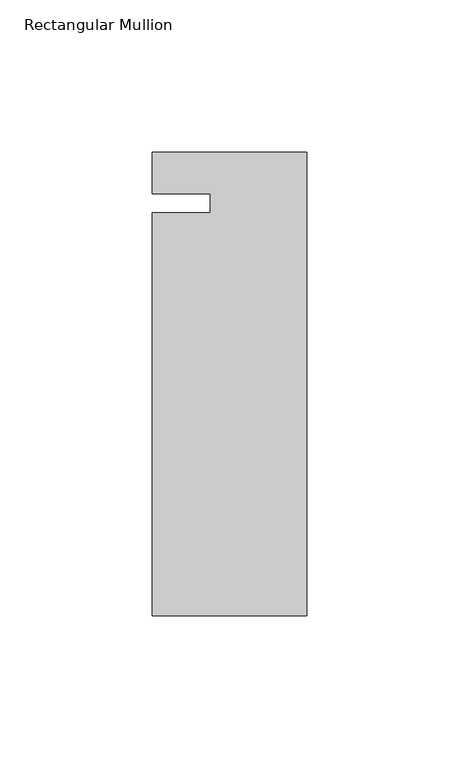
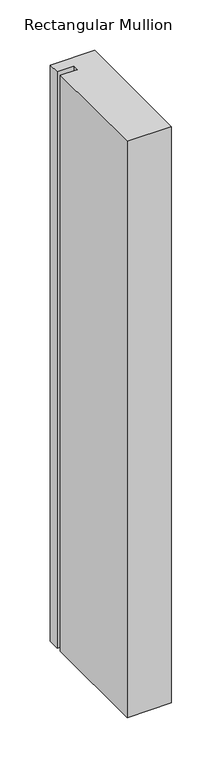
"""IFC4 building model written with IfcOpenShell, lengths in millimetres: member geometry, Rectangular Mullion."""

from ifc_helpers import new_model, si_unit, frame, origin, place, context, project, spatial, polyline, outline, extrude, source, transform, mapped, element, save


def rectangular_mullion_4c104479(model_context):
    return source(origin(), model_context, "Body", "SweptSolid", [
        extrude(outline(polyline([(0.0, 13.672693), (0.0, -138.727307), (-50.8, -138.727307), (-50.8, -6.35), (-31.75, -6.35), (-31.75, 0.0), (-50.8, 0.0), (-50.8, 13.672693), (0.0, 13.672693)])), frame((0.0, 0.0, -698.5), z_axis=(0.0, 0.0, 1.0), x_axis=(1.0, 0.0, 0.0)), (0.0, 0.0, 1.0), 698.5),
    ])


if __name__ == "__main__":
    model = new_model("IFC4")
    model_context = context("Model", 3, world=origin())
    ifc_project = project(units=[si_unit("LENGTHUNIT", "METRE", prefix="MILLI")], contexts=[model_context])
    site = spatial("IfcSite", under=ifc_project)
    building = spatial("IfcBuilding", under=site)
    placement = place(None, origin())
    rectangular_mullion_shape = rectangular_mullion_4c104479(model_context)
    element("IfcMember", 1, ObjectType="Rectangular Mullion", at=placement, inside=building, context=model_context, shape_type="MappedRepresentation", body=[
        mapped(rectangular_mullion_shape, transform((0.0, 0.0, 0.0), x_axis=(1.0, 0.0, 0.0), y_axis=(0.0, 1.0, 0.0), z_axis=(0.0, 0.0, 1.0))),
    ])
    save(model, "model.ifc")
